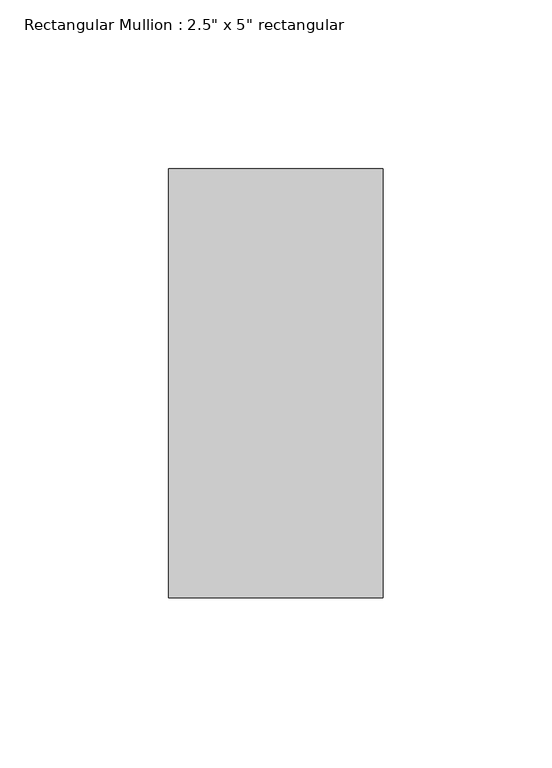
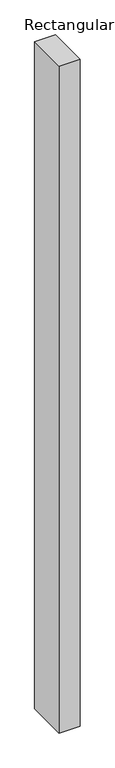
"""IFC4 building model written with IfcOpenShell, lengths in millimetres: member geometry."""

from ifc_helpers import new_model, si_unit, frame, origin, place, context, project, spatial, polyline, outline, extrude, source, transform, mapped, element, save


def member_6fe26181(model_context):
    return source(origin(), model_context, "Body", "SweptSolid", [
        extrude(outline(polyline([(0.0, 63.5), (0.0, -63.5), (-63.5, -63.5), (-63.5, 63.5), (0.0, 63.5)])), frame((0.0, 0.0, -2127.25), z_axis=(0.0, 0.0, 1.0), x_axis=(1.0, 0.0, 0.0)), (0.0, 0.0, 1.0), 2127.25),
    ])


if __name__ == "__main__":
    model = new_model("IFC4")
    model_context = context("Model", 3, world=origin())
    ifc_project = project(units=[si_unit("LENGTHUNIT", "METRE", prefix="MILLI")], contexts=[model_context])
    site = spatial("IfcSite", under=ifc_project)
    building = spatial("IfcBuilding", under=site)
    placement = place(None, origin())
    member_shape = member_6fe26181(model_context)
    element("IfcMember", 1, ObjectType="Rectangular Mullion : 2.5\" x 5\" rectangular", at=placement, inside=building, context=model_context, shape_type="MappedRepresentation", body=[
        mapped(member_shape, transform((0.0, 0.0, 0.0), x_axis=(1.0, 0.0, 0.0), y_axis=(0.0, 1.0, 0.0), z_axis=(0.0, 0.0, 1.0))),
    ])
    save(model, "model.ifc")
